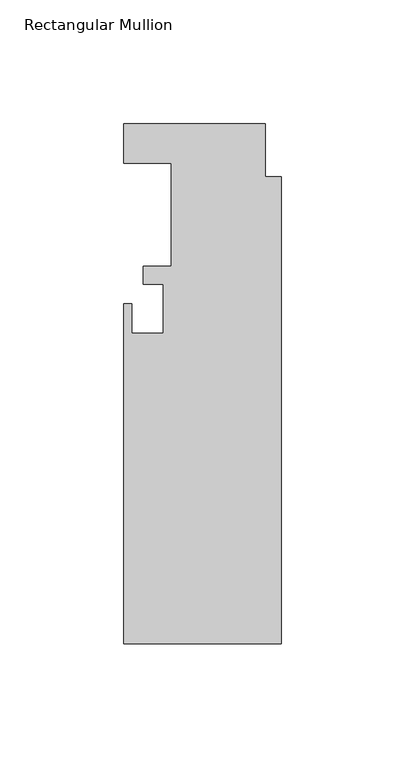
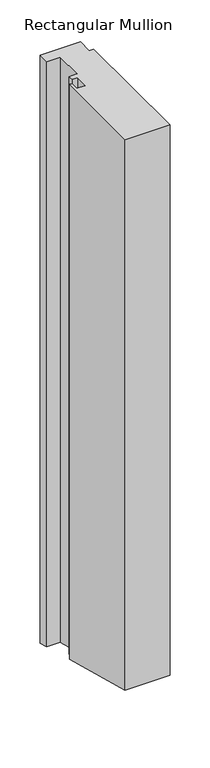
"""IFC4 building model written with IfcOpenShell, lengths in millimetres: member geometry, Rectangular Mullion."""

from ifc_helpers import new_model, si_unit, origin, place, context, project, spatial, faceted_brep, source, transform, mapped, element, save


def rectangular_mullion_eaef16d0(model_context):
    return source(origin(), model_context, "Body", "Brep", [
        faceted_brep([(-63.5, 4.8458438, 0.0), (-44.45, 4.8458438, 0.0), (-44.45, -36.8101562, 0.0), (-55.5752, -36.8101562, 0.0), (-55.5752, -43.9729562, 0.0), (-47.625, -43.9729562, 0.0), (-47.625, -63.7849562, 0.0), (-60.325, -63.7849562, 0.0), (-60.325, -51.8723562, 0.0), (-63.5, -51.8723562, 0.0), (-63.5, -189.2101562, 0.0), (0.0, -189.2101562, 0.0), (0.0, -0.5643562, 0.0), (-6.35, -0.5643562, 0.0), (-6.35, 20.7208438, 0.0), (-63.5, 20.7208438, 0.0), (-63.5, 4.8458438, -882.045876), (-44.45, 4.8458438, -882.045876), (-44.45, -36.8101562, -870.8841844), (-55.5752, -36.8101562, -870.8841844), (-55.5752, -43.9729562, -868.964918), (-47.625, -43.9729562, -868.964918), (-47.625, -63.7849562, -863.6563086), (-60.325, -63.7849562, -863.6563086), (-60.325, -51.8723562, -866.8482801), (-63.5, -51.8723562, -866.8482801), (-63.5, -189.2101562, -830.0487275), (0.0, -189.2101562, -830.0487275), (0.0, -0.5643562, -880.5962173), (-6.35, -0.5643562, -880.5962173), (-6.35, 20.7208438, -886.2995694), (-63.5, 20.7208438, -886.2995694)], [[[0, 1, 2, 3, 4, 5, 6, 7, 8, 9, 10, 11, 12, 13, 14, 15]], [[1, 0, 16, 17]], [[2, 1, 17, 18]], [[3, 2, 18, 19]], [[4, 3, 19, 20]], [[5, 4, 20, 21]], [[6, 5, 21, 22]], [[7, 6, 22, 23]], [[8, 7, 23, 24]], [[9, 8, 24, 25]], [[10, 9, 25, 26]], [[11, 10, 26, 27]], [[12, 11, 27, 28]], [[13, 12, 28, 29]], [[14, 13, 29, 30]], [[15, 14, 30, 31]], [[0, 15, 31, 16]], [[16, 31, 30, 29, 28, 27, 26, 25, 24, 23, 22, 21, 20, 19, 18, 17]]]),
    ])


if __name__ == "__main__":
    model = new_model("IFC4")
    model_context = context("Model", 3, world=origin())
    ifc_project = project(units=[si_unit("LENGTHUNIT", "METRE", prefix="MILLI")], contexts=[model_context])
    site = spatial("IfcSite", under=ifc_project)
    building = spatial("IfcBuilding", under=site)
    placement = place(None, origin())
    rectangular_mullion_shape = rectangular_mullion_eaef16d0(model_context)
    element("IfcMember", 1, ObjectType="Rectangular Mullion", at=placement, inside=building, context=model_context, shape_type="MappedRepresentation", body=[
        mapped(rectangular_mullion_shape, transform((0.0, 0.0, 0.0), x_axis=(1.0, 0.0, 0.0), y_axis=(0.0, 1.0, 0.0), z_axis=(0.0, 0.0, 1.0))),
    ])
    save(model, "model.ifc")
